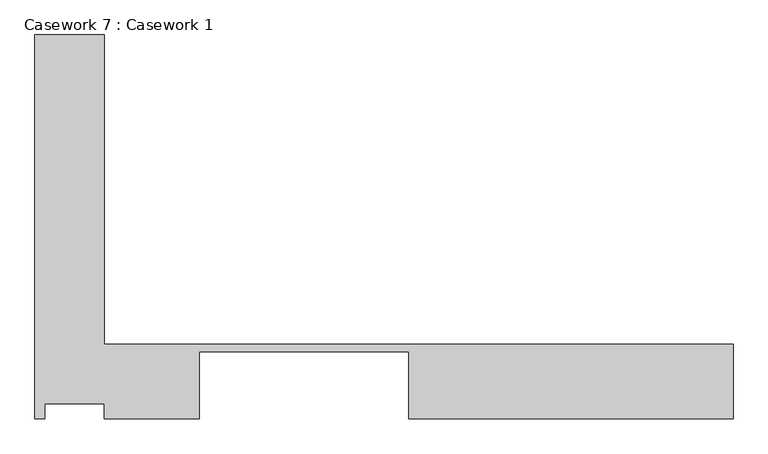
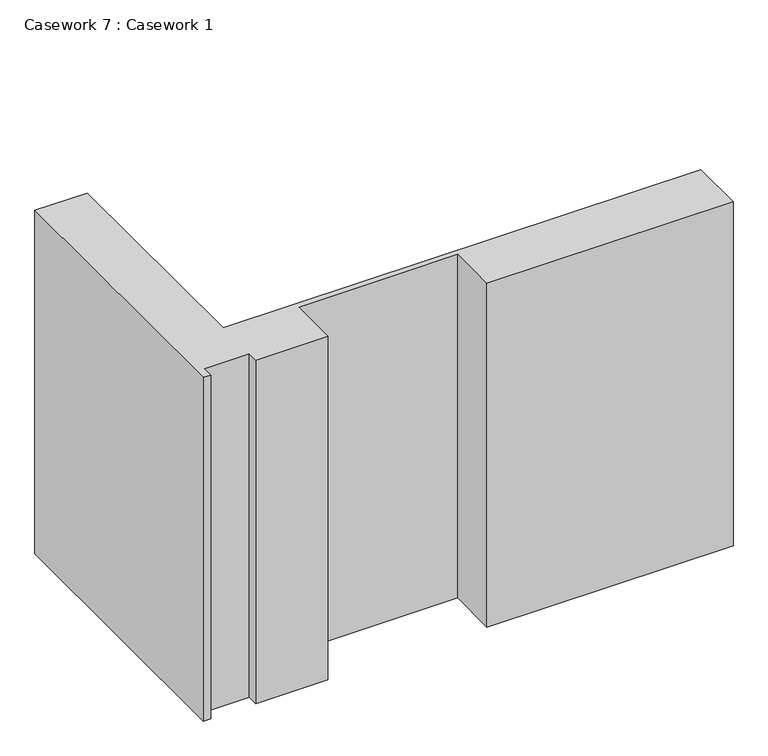
"""IFC4 building model written with IfcOpenShell, lengths in millimetres: furniture geometry, Casework 7 : Casework 1."""

import ifcopenshell
import ifcopenshell.guid

model = None  # the IFC model being written
_history = None  # IfcOwnerHistory: only IFC2X3 demands one
_inside = {}  # id of a spatial element -> (the spatial element, [elements in it])
_under = {}  # id of a project, library or spatial element -> (it, [spatial elements below it])
_declared = {}  # id of a project -> (the project, [libraries it declares])
_typed = {}  # id of a type object -> (the type object, [elements of that type])
_made_of = {}  # id of a material, layer set ... -> (it, [elements and type objects made of it])


def new_model(schema):
    """Start an empty IFC model of exactly this schema.

    Asked for "IFC4X3", IfcOpenShell would pick the latest addendum, in which some entities
    have other attributes; the version numbers below select the first issue.
    IFC2X3 requires an IfcOwnerHistory on every rooted entity: one is made here for all.
    """
    global model, _history
    if schema == "IFC4X3":
        model = ifcopenshell.file(schema_version=(4, 3, 0, 0))
    else:
        model = ifcopenshell.file(schema=schema)
    _inside.clear()
    _under.clear()
    _declared.clear()
    _typed.clear()
    _made_of.clear()
    _history = None
    if model.schema == "IFC2X3":
        org = make("IfcOrganization", Name="unknown")
        user = make(
            "IfcPersonAndOrganization",
            ThePerson=make("IfcPerson", FamilyName="unknown"),
            TheOrganization=org,
        )
        app = make(
            "IfcApplication",
            ApplicationDeveloper=org,
            Version="unknown",
            ApplicationFullName="unknown",
            ApplicationIdentifier="unknown",
        )
        _history = make(
            "IfcOwnerHistory",
            OwningUser=user,
            OwningApplication=app,
            ChangeAction="ADDED",
            CreationDate=0,
        )
    return model


def make(cls, **values):
    """One entity of the class cls with the attributes given. An attribute that is None is left unset."""
    return model.create_entity(
        cls, **{name: value for name, value in values.items() if value is not None}
    )


def rooted(cls, **values):
    """An entity with a GlobalId (a new one), such as an element, a storey or a relation."""
    return make(cls, GlobalId=ifcopenshell.guid.new(), OwnerHistory=_history, **values)


def si_unit(unit_type, name, prefix=None):
    """IfcSIUnit, for example si_unit("LENGTHUNIT", "METRE", prefix="MILLI")."""
    return make("IfcSIUnit", UnitType=unit_type, Prefix=prefix, Name=name)


def assignment(units):
    """IfcUnitAssignment: the units of a project."""
    return None if units is None else make("IfcUnitAssignment", Units=units)


def point(xyz):
    """IfcCartesianPoint."""
    return None if xyz is None else make("IfcCartesianPoint", Coordinates=xyz)


def direction(xyz):
    """IfcDirection."""
    return None if xyz is None else make("IfcDirection", DirectionRatios=xyz)


def frame(location, z_axis=None, x_axis=None):
    """IfcAxis2Placement3D, a coordinate frame: its origin and axes. An axis left out is left unset."""
    return make(
        "IfcAxis2Placement3D",
        Location=point(location),
        Axis=direction(z_axis),
        RefDirection=direction(x_axis),
    )


def origin():
    """The frame at (0, 0, 0) with its axes left unset."""
    return frame((0.0, 0.0, 0.0))


def place(relative_to, where):
    """IfcLocalPlacement: puts the frame where relative to a parent placement (None: the world)."""
    return make(
        "IfcLocalPlacement", PlacementRelTo=relative_to, RelativePlacement=where
    )


def context(
    kind, dimensions, precision=None, world=None, true_north=None, identifier=None
):
    """IfcGeometricRepresentationContext, for example the 3D "Model" context."""
    return make(
        "IfcGeometricRepresentationContext",
        ContextIdentifier=identifier,
        ContextType=kind,
        CoordinateSpaceDimension=dimensions,
        Precision=precision,
        WorldCoordinateSystem=world,
        TrueNorth=true_north,
    )


def project(units=None, contexts=None):
    """IfcProject with its units and contexts."""
    return rooted(
        "IfcProject",
        Name="project",
        RepresentationContexts=contexts,
        UnitsInContext=assignment(units),
    )


def spatial(cls, under=None, at=None, **own):
    """A site, building, storey or space (cls), placed at a placement, below another one or the project."""
    s = rooted(cls, ObjectPlacement=at, **own)
    if under is not None:
        _under.setdefault(under.id(), (under, []))[1].append(s)
    return s


def polyline(points):
    """IfcPolyline through the points."""
    return make("IfcPolyline", Points=[point(p) for p in points])


def outline(outer, holes=None, kind="AREA"):
    """IfcArbitraryClosedProfileDef: a profile drawn as a closed curve; with holes, ...WithVoids."""
    if holes is None:
        return make("IfcArbitraryClosedProfileDef", ProfileType=kind, OuterCurve=outer)
    return make(
        "IfcArbitraryProfileDefWithVoids",
        ProfileType=kind,
        OuterCurve=outer,
        InnerCurves=holes,
    )


def extrude(swept, where, along, depth):
    """IfcExtrudedAreaSolid: the profile swept, set in the frame where, extruded along a direction by depth."""
    return make(
        "IfcExtrudedAreaSolid",
        SweptArea=swept,
        Position=where,
        ExtrudedDirection=direction(along),
        Depth=depth,
    )


def shape(context_of_items, identifier, shape_type, items):
    """IfcShapeRepresentation: the items that make up one representation, for example the "Body"."""
    return make(
        "IfcShapeRepresentation",
        ContextOfItems=context_of_items,
        RepresentationIdentifier=identifier,
        RepresentationType=shape_type,
        Items=items,
    )


def source(mapping_origin, context_of_items, identifier, shape_type, items):
    """IfcRepresentationMap: a shape defined once, which mapped items show again and again."""
    return make(
        "IfcRepresentationMap",
        MappingOrigin=mapping_origin,
        MappedRepresentation=shape(context_of_items, identifier, shape_type, items),
    )


def transform(
    local_origin,
    x_axis=None,
    y_axis=None,
    z_axis=None,
    scale=None,
    scale2=None,
    scale3=None,
    uniform=True,
):
    """IfcCartesianTransformationOperator3D, or its non-uniform kind. x_axis, y_axis, z_axis: its Axis1, 2, 3."""
    if uniform:
        return make(
            "IfcCartesianTransformationOperator3D",
            Axis1=direction(x_axis),
            Axis2=direction(y_axis),
            LocalOrigin=point(local_origin),
            Scale=scale,
            Axis3=direction(z_axis),
        )
    return make(
        "IfcCartesianTransformationOperator3DnonUniform",
        Axis1=direction(x_axis),
        Axis2=direction(y_axis),
        LocalOrigin=point(local_origin),
        Scale=scale,
        Axis3=direction(z_axis),
        Scale2=scale2,
        Scale3=scale3,
    )


def mapped(mapping_source, mapping_target):
    """IfcMappedItem: shows the shape of a source again, moved by a transform."""
    return make(
        "IfcMappedItem", MappingSource=mapping_source, MappingTarget=mapping_target
    )


def made_of(thing, what):
    """Note that an element or type object is made of a material, layer set ...; save() writes the relation."""
    if what is not None:
        _made_of.setdefault(what.id(), (what, []))[1].append(thing)
    return thing


def element(
    cls,
    number,
    at=None,
    inside=None,
    cuts=None,
    type_object=None,
    material=None,
    context=None,
    identifier="Body",
    shape_type=None,
    held_by="IfcProductDefinitionShape",
    body=None,
    shapes=None,
    **own,
):
    """One element of the class cls, such as IfcWall. Its Tag is "e" and its number.

    at: its placement. inside: the storey or other place that contains it. cuts: it is an
    opening in that element (IfcRelVoidsElement). A single representation is given by context,
    identifier, shape_type and body (its items); several are given by shapes. held_by: the class
    of the entity that holds the representations. save() writes the other relations.
    """
    e = rooted(cls, Tag="e%d" % number, ObjectPlacement=at, **own)
    if body is not None:
        shapes = [shape(context, identifier, shape_type, body)]
    if shapes is not None:
        e.Representation = make(held_by, Representations=shapes)
    if inside is not None:
        _inside.setdefault(inside.id(), (inside, []))[1].append(e)
    if cuts is not None:
        rooted(
            "IfcRelVoidsElement", RelatingBuildingElement=cuts, RelatedOpeningElement=e
        )
    if type_object is not None:
        _typed.setdefault(type_object.id(), (type_object, []))[1].append(e)
    return made_of(e, material)


def aggregate(whole, parts):
    """IfcRelAggregates: a whole, such as a stair, and the parts it consists of."""
    return rooted("IfcRelAggregates", RelatingObject=whole, RelatedObjects=parts)


def save(model, path):
    """Write the relations noted so far, then the file.

    IfcRelAggregates (storeys below a building ...), IfcRelContainedInSpatialStructure (elements
    in a storey), IfcRelDefinesByType, IfcRelAssociatesMaterial and IfcRelDeclares: one each for
    every whole, place, type object, material and project.
    """
    for whole, parts in _under.values():
        aggregate(whole, parts)
    for where, things in _inside.values():
        rooted(
            "IfcRelContainedInSpatialStructure",
            RelatedElements=things,
            RelatingStructure=where,
        )
    for kind, things in _typed.values():
        rooted("IfcRelDefinesByType", RelatedObjects=things, RelatingType=kind)
    for what, things in _made_of.values():
        rooted("IfcRelAssociatesMaterial", RelatedObjects=things, RelatingMaterial=what)
    for by, libraries in _declared.values():
        rooted("IfcRelDeclares", RelatingContext=by, RelatedDefinitions=libraries)
    model.write(path)


def casework_7_casework_1_95f7600b(model_context):
    return source(origin(), model_context, "Body", "SweptSolid", [
        extrude(outline(polyline([(96118.7769414, -25210.835481), (96118.7769414, -27293.1881628), (100351.4549398, -27293.1881628), (100351.4549398, -27793.1881628), (98169.7110328, -27793.1881628), (98169.7110328, -27343.1881628), (96758.7769414, -27343.1881628), (96758.7769414, -27793.1881628), (96118.7769414, -27793.1881628), (96118.7769414, -27693.1881628), (95718.7769414, -27693.1881628), (95718.7769414, -27793.1881628), (95652.7769414, -27793.1881628), (95652.7769414, -25210.835481), (96118.7769414, -25210.835481)])), frame((0.0, 0.0, 67850.0), z_axis=(0.0, 0.0, 1.0), x_axis=(1.0, 0.0, 0.0)), (0.0, 0.0, 1.0), 3220.0),
    ])


if __name__ == "__main__":
    model = new_model("IFC4")
    model_context = context("Model", 3, world=origin())
    ifc_project = project(units=[si_unit("LENGTHUNIT", "METRE", prefix="MILLI")], contexts=[model_context])
    site = spatial("IfcSite", under=ifc_project)
    building = spatial("IfcBuilding", under=site)
    placement = place(None, origin())
    casework_7_casework_1_shape = casework_7_casework_1_95f7600b(model_context)
    element("IfcFurniture", 1, ObjectType="Casework 7 : Casework 1", at=placement, inside=building, context=model_context, shape_type="MappedRepresentation", body=[
        mapped(casework_7_casework_1_shape, transform((0.0, 0.0, 0.0), x_axis=(1.0, 0.0, 0.0), y_axis=(0.0, 1.0, 0.0), z_axis=(0.0, 0.0, 1.0))),
    ])
    save(model, "model.ifc")
